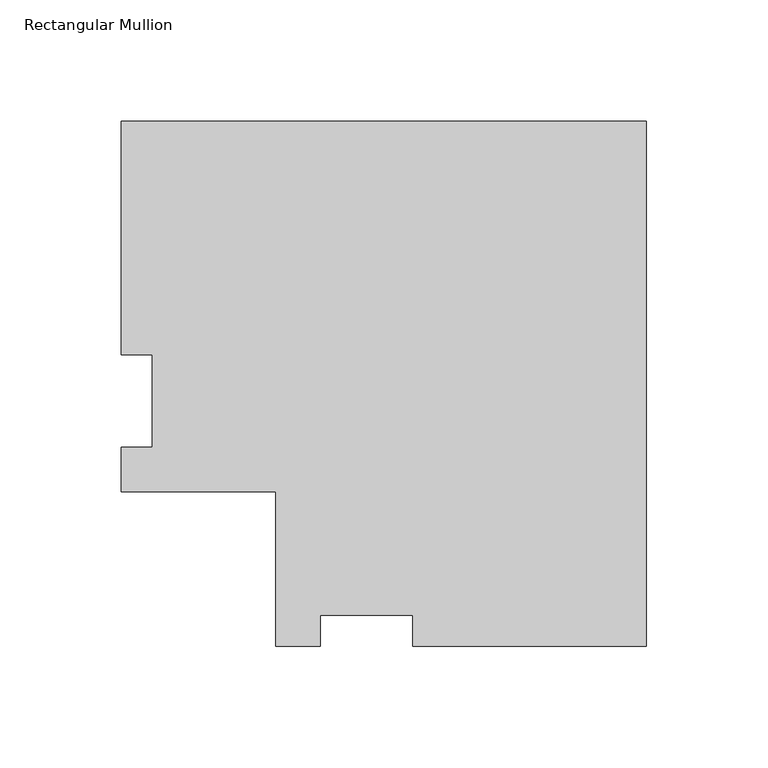
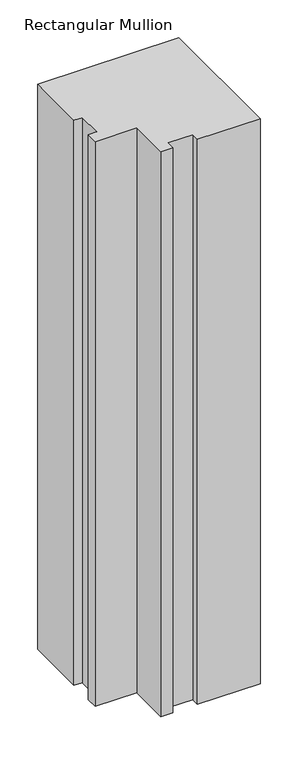
"""IFC4 building model written with IfcOpenShell, lengths in millimetres: member geometry, Rectangular Mullion."""

from ifc_helpers import new_model, si_unit, frame, origin, place, context, project, spatial, polyline, outline, extrude, source, transform, mapped, element, save


def rectangular_mullion_4a46f642(model_context):
    return source(origin(), model_context, "Body", "SweptSolid", [
        extrude(outline(polyline([(0.0, 152.765125), (0.0, -63.134875), (-96.012, -63.134875), (-96.012, -50.434875), (-134.112, -50.434875), (-134.112, -63.134875), (-152.4, -63.134875), (-152.4, 0.365125), (-215.9, 0.365125), (-215.9, 18.653125), (-203.2, 18.653125), (-203.2, 56.753125), (-215.9, 56.753125), (-215.9, 152.765125), (0.0, 152.765125)])), frame((0.0, 0.0, -914.4), z_axis=(0.0, 0.0, 1.0), x_axis=(1.0, 0.0, 0.0)), (0.0, 0.0, 1.0), 914.4),
    ])


if __name__ == "__main__":
    model = new_model("IFC4")
    model_context = context("Model", 3, world=origin())
    ifc_project = project(units=[si_unit("LENGTHUNIT", "METRE", prefix="MILLI")], contexts=[model_context])
    site = spatial("IfcSite", under=ifc_project)
    building = spatial("IfcBuilding", under=site)
    placement = place(None, origin())
    rectangular_mullion_shape = rectangular_mullion_4a46f642(model_context)
    element("IfcMember", 1, ObjectType="Rectangular Mullion", at=placement, inside=building, context=model_context, shape_type="MappedRepresentation", body=[
        mapped(rectangular_mullion_shape, transform((0.0, 0.0, 0.0), x_axis=(1.0, 0.0, 0.0), y_axis=(0.0, 1.0, 0.0), z_axis=(0.0, 0.0, 1.0))),
    ])
    save(model, "model.ifc")
